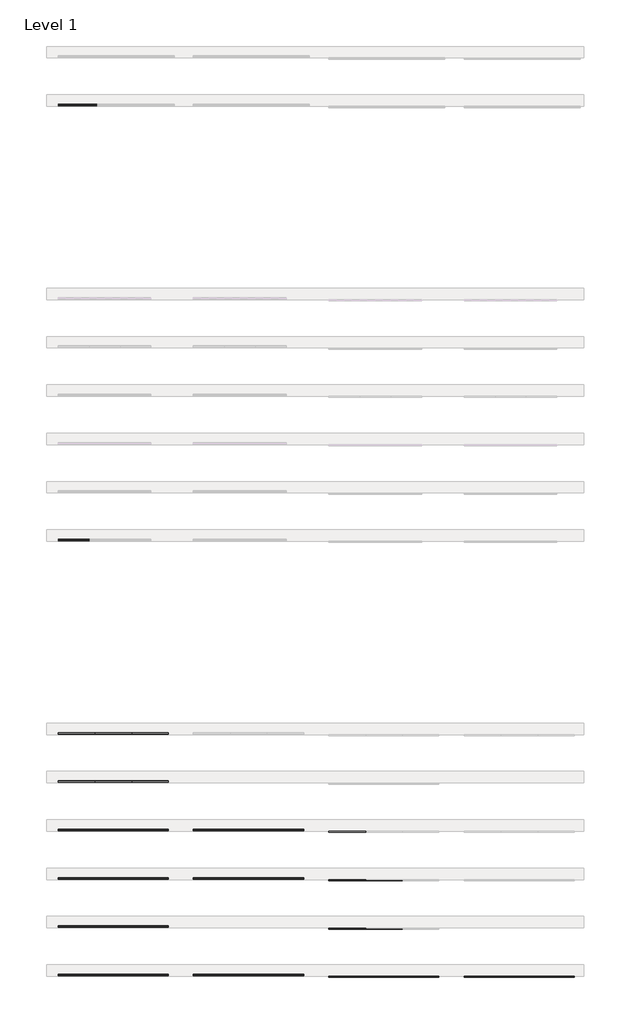
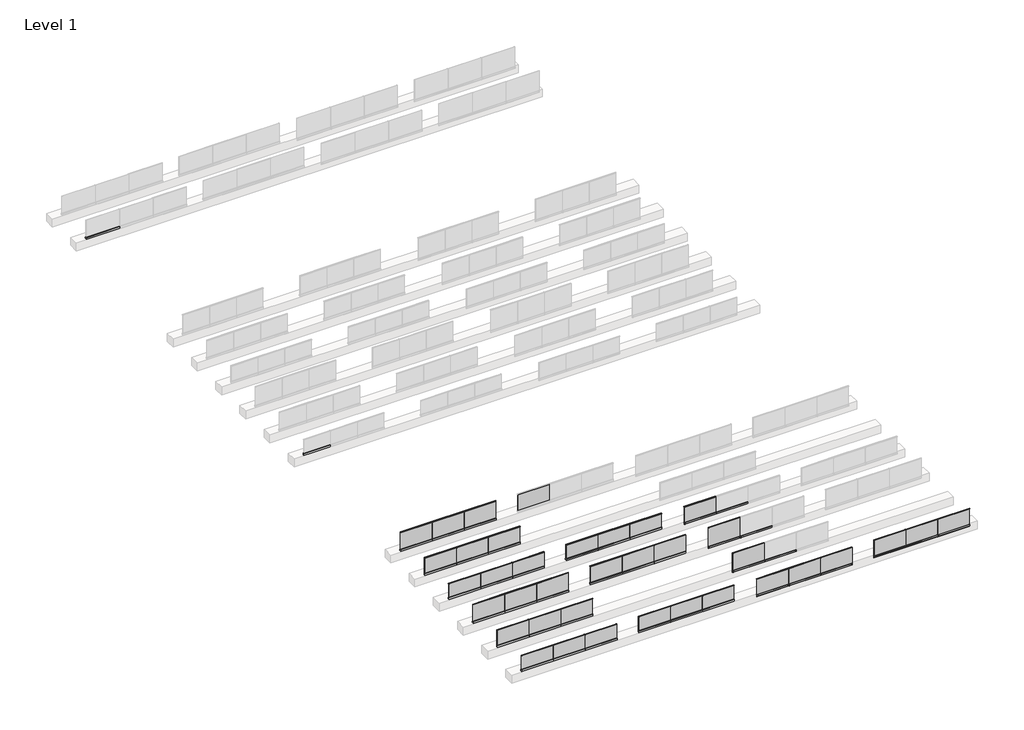
# One storey, part 1 of 5: 77 members, 37 plates.
"""IFC4 building model written with IfcOpenShell, lengths in millimetres."""

import ifcopenshell
import ifcopenshell.guid

model = None  # the IFC model being written
_history = None  # IfcOwnerHistory: only IFC2X3 demands one
_inside = {}  # id of a spatial element -> (the spatial element, [elements in it])
_under = {}  # id of a project, library or spatial element -> (it, [spatial elements below it])
_declared = {}  # id of a project -> (the project, [libraries it declares])
_typed = {}  # id of a type object -> (the type object, [elements of that type])
_made_of = {}  # id of a material, layer set ... -> (it, [elements and type objects made of it])


def new_model(schema):
    """Start an empty IFC model of exactly this schema.

    Asked for "IFC4X3", IfcOpenShell would pick the latest addendum, in which some entities
    have other attributes; the version numbers below select the first issue.
    IFC2X3 requires an IfcOwnerHistory on every rooted entity: one is made here for all.
    """
    global model, _history
    if schema == "IFC4X3":
        model = ifcopenshell.file(schema_version=(4, 3, 0, 0))
    else:
        model = ifcopenshell.file(schema=schema)
    _inside.clear()
    _under.clear()
    _declared.clear()
    _typed.clear()
    _made_of.clear()
    _history = None
    if model.schema == "IFC2X3":
        org = make("IfcOrganization", Name="unknown")
        user = make(
            "IfcPersonAndOrganization",
            ThePerson=make("IfcPerson", FamilyName="unknown"),
            TheOrganization=org,
        )
        app = make(
            "IfcApplication",
            ApplicationDeveloper=org,
            Version="unknown",
            ApplicationFullName="unknown",
            ApplicationIdentifier="unknown",
        )
        _history = make(
            "IfcOwnerHistory",
            OwningUser=user,
            OwningApplication=app,
            ChangeAction="ADDED",
            CreationDate=0,
        )
    return model


def make(cls, **values):
    """One entity of the class cls with the attributes given. An attribute that is None is left unset."""
    return model.create_entity(
        cls, **{name: value for name, value in values.items() if value is not None}
    )


def rooted(cls, **values):
    """An entity with a GlobalId (a new one), such as an element, a storey or a relation."""
    return make(cls, GlobalId=ifcopenshell.guid.new(), OwnerHistory=_history, **values)


def si_unit(unit_type, name, prefix=None):
    """IfcSIUnit, for example si_unit("LENGTHUNIT", "METRE", prefix="MILLI")."""
    return make("IfcSIUnit", UnitType=unit_type, Prefix=prefix, Name=name)


def assignment(units):
    """IfcUnitAssignment: the units of a project."""
    return None if units is None else make("IfcUnitAssignment", Units=units)


def point(xyz):
    """IfcCartesianPoint."""
    return None if xyz is None else make("IfcCartesianPoint", Coordinates=xyz)


def direction(xyz):
    """IfcDirection."""
    return None if xyz is None else make("IfcDirection", DirectionRatios=xyz)


def frame(location, z_axis=None, x_axis=None):
    """IfcAxis2Placement3D, a coordinate frame: its origin and axes. An axis left out is left unset."""
    return make(
        "IfcAxis2Placement3D",
        Location=point(location),
        Axis=direction(z_axis),
        RefDirection=direction(x_axis),
    )


def origin():
    """The frame at (0, 0, 0) with its axes left unset."""
    return frame((0.0, 0.0, 0.0))


def origin_with_axes():
    """The frame at (0, 0, 0) with the z axis (0, 0, 1) and the x axis (1, 0, 0) written out."""
    return frame((0.0, 0.0, 0.0), z_axis=(0.0, 0.0, 1.0), x_axis=(1.0, 0.0, 0.0))


def place(relative_to, where):
    """IfcLocalPlacement: puts the frame where relative to a parent placement (None: the world)."""
    return make(
        "IfcLocalPlacement", PlacementRelTo=relative_to, RelativePlacement=where
    )


def context(
    kind, dimensions, precision=None, world=None, true_north=None, identifier=None
):
    """IfcGeometricRepresentationContext, for example the 3D "Model" context."""
    return make(
        "IfcGeometricRepresentationContext",
        ContextIdentifier=identifier,
        ContextType=kind,
        CoordinateSpaceDimension=dimensions,
        Precision=precision,
        WorldCoordinateSystem=world,
        TrueNorth=true_north,
    )


def project(units=None, contexts=None):
    """IfcProject with its units and contexts."""
    return rooted(
        "IfcProject",
        Name="project",
        RepresentationContexts=contexts,
        UnitsInContext=assignment(units),
    )


def spatial(cls, under=None, at=None, **own):
    """A site, building, storey or space (cls), placed at a placement, below another one or the project."""
    s = rooted(cls, ObjectPlacement=at, **own)
    if under is not None:
        _under.setdefault(under.id(), (under, []))[1].append(s)
    return s


def polyline(points):
    """IfcPolyline through the points."""
    return make("IfcPolyline", Points=[point(p) for p in points])


def outline(outer, holes=None, kind="AREA"):
    """IfcArbitraryClosedProfileDef: a profile drawn as a closed curve; with holes, ...WithVoids."""
    if holes is None:
        return make("IfcArbitraryClosedProfileDef", ProfileType=kind, OuterCurve=outer)
    return make(
        "IfcArbitraryProfileDefWithVoids",
        ProfileType=kind,
        OuterCurve=outer,
        InnerCurves=holes,
    )


def extrude(swept, where, along, depth):
    """IfcExtrudedAreaSolid: the profile swept, set in the frame where, extruded along a direction by depth."""
    return make(
        "IfcExtrudedAreaSolid",
        SweptArea=swept,
        Position=where,
        ExtrudedDirection=direction(along),
        Depth=depth,
    )


def shape(context_of_items, identifier, shape_type, items):
    """IfcShapeRepresentation: the items that make up one representation, for example the "Body"."""
    return make(
        "IfcShapeRepresentation",
        ContextOfItems=context_of_items,
        RepresentationIdentifier=identifier,
        RepresentationType=shape_type,
        Items=items,
    )


def source(mapping_origin, context_of_items, identifier, shape_type, items):
    """IfcRepresentationMap: a shape defined once, which mapped items show again and again."""
    return make(
        "IfcRepresentationMap",
        MappingOrigin=mapping_origin,
        MappedRepresentation=shape(context_of_items, identifier, shape_type, items),
    )


def transform(
    local_origin,
    x_axis=None,
    y_axis=None,
    z_axis=None,
    scale=None,
    scale2=None,
    scale3=None,
    uniform=True,
):
    """IfcCartesianTransformationOperator3D, or its non-uniform kind. x_axis, y_axis, z_axis: its Axis1, 2, 3."""
    if uniform:
        return make(
            "IfcCartesianTransformationOperator3D",
            Axis1=direction(x_axis),
            Axis2=direction(y_axis),
            LocalOrigin=point(local_origin),
            Scale=scale,
            Axis3=direction(z_axis),
        )
    return make(
        "IfcCartesianTransformationOperator3DnonUniform",
        Axis1=direction(x_axis),
        Axis2=direction(y_axis),
        LocalOrigin=point(local_origin),
        Scale=scale,
        Axis3=direction(z_axis),
        Scale2=scale2,
        Scale3=scale3,
    )


def mapped(mapping_source, mapping_target):
    """IfcMappedItem: shows the shape of a source again, moved by a transform."""
    return make(
        "IfcMappedItem", MappingSource=mapping_source, MappingTarget=mapping_target
    )


def made_of(thing, what):
    """Note that an element or type object is made of a material, layer set ...; save() writes the relation."""
    if what is not None:
        _made_of.setdefault(what.id(), (what, []))[1].append(thing)
    return thing


def element(
    cls,
    number,
    at=None,
    inside=None,
    cuts=None,
    type_object=None,
    material=None,
    context=None,
    identifier="Body",
    shape_type=None,
    held_by="IfcProductDefinitionShape",
    body=None,
    shapes=None,
    **own,
):
    """One element of the class cls, such as IfcWall. Its Tag is "e" and its number.

    at: its placement. inside: the storey or other place that contains it. cuts: it is an
    opening in that element (IfcRelVoidsElement). A single representation is given by context,
    identifier, shape_type and body (its items); several are given by shapes. held_by: the class
    of the entity that holds the representations. save() writes the other relations.
    """
    e = rooted(cls, Tag="e%d" % number, ObjectPlacement=at, **own)
    if body is not None:
        shapes = [shape(context, identifier, shape_type, body)]
    if shapes is not None:
        e.Representation = make(held_by, Representations=shapes)
    if inside is not None:
        _inside.setdefault(inside.id(), (inside, []))[1].append(e)
    if cuts is not None:
        rooted(
            "IfcRelVoidsElement", RelatingBuildingElement=cuts, RelatedOpeningElement=e
        )
    if type_object is not None:
        _typed.setdefault(type_object.id(), (type_object, []))[1].append(e)
    return made_of(e, material)


def aggregate(whole, parts):
    """IfcRelAggregates: a whole, such as a stair, and the parts it consists of."""
    return rooted("IfcRelAggregates", RelatingObject=whole, RelatedObjects=parts)


def save(model, path):
    """Write the relations noted so far, then the file.

    IfcRelAggregates (storeys below a building ...), IfcRelContainedInSpatialStructure (elements
    in a storey), IfcRelDefinesByType, IfcRelAssociatesMaterial and IfcRelDeclares: one each for
    every whole, place, type object, material and project.
    """
    for whole, parts in _under.values():
        aggregate(whole, parts)
    for where, things in _inside.values():
        rooted(
            "IfcRelContainedInSpatialStructure",
            RelatedElements=things,
            RelatingStructure=where,
        )
    for kind, things in _typed.values():
        rooted("IfcRelDefinesByType", RelatedObjects=things, RelatingType=kind)
    for what, things in _made_of.values():
        rooted("IfcRelAssociatesMaterial", RelatedObjects=things, RelatingMaterial=what)
    for by, libraries in _declared.values():
        rooted("IfcRelDeclares", RelatingContext=by, RelatedDefinitions=libraries)
    model.write(path)


def rectangular_mullion_08bac69d(model_context):
    return source(origin(), model_context, "Body", "SweptSolid", [
        extrude(outline(polyline([(0.0, 44.5), (0.0, 19.5), (-21.0, 19.5), (-21.0, 44.5), (0.0, 44.5)])), frame((0.0, 0.0, -1900.0000001), z_axis=(0.0, 0.0, 1.0), x_axis=(1.0, 0.0, 0.0)), (0.0, 0.0, 1.0), 1900.0000001),
    ])


def rectangular_mullion_786617c2(model_context):
    return source(origin(), model_context, "Body", "SweptSolid", [
        extrude(outline(polyline([(0.0, 44.5), (0.0, 19.5), (-21.0, 19.5), (-21.0, 44.5), (0.0, 44.5)])), frame((0.0, 0.0, -1899.9999998), z_axis=(0.0, 0.0, 1.0), x_axis=(1.0, 0.0, 0.0)), (0.0, 0.0, 1.0), 1899.9999998),
    ])


def rectangular_mullion_206bddc2(model_context):
    return source(origin(), model_context, "Body", "SweptSolid", [
        extrude(outline(polyline([(-5.0, 20.0), (-5.0, 0.0), (-117.5, 0.0), (-124.0, 6.5), (-124.0, 57.5), (-117.5, 64.0), (-26.6547004, 64.0), (0.0, 40.0), (0.0, 20.0), (-5.0, 20.0)])), frame((0.0, 0.0, -1900.0000001), z_axis=(0.0, 0.0, 1.0), x_axis=(1.0, 0.0, 0.0)), (0.0, 0.0, 1.0), 1900.0000001),
    ])


def rectangular_mullion_d76e895c(model_context):
    return source(origin(), model_context, "Body", "SweptSolid", [
        extrude(outline(polyline([(-5.0, 20.0), (-5.0, 0.0), (-117.5, 0.0), (-124.0, 6.5), (-124.0, 57.5), (-117.5, 64.0), (-26.6547004, 64.0), (0.0, 40.0), (0.0, 20.0), (-5.0, 20.0)])), frame((0.0, 0.0, -1899.9999998), z_axis=(0.0, 0.0, 1.0), x_axis=(1.0, 0.0, 0.0)), (0.0, 0.0, 1.0), 1899.9999998),
    ])


def rectangular_mullion_b1799dcc(model_context):
    return source(origin(), model_context, "Body", "SweptSolid", [
        extrude(outline(polyline([(0.0, 12.5), (0.0, -12.5), (-21.0, -12.5), (-21.0, 12.5), (0.0, 12.5)])), frame((0.0, 0.0, -1900.0000001), z_axis=(0.0, 0.0, 1.0), x_axis=(1.0, 0.0, 0.0)), (0.0, 0.0, 1.0), 1900.0000001),
    ])


def rectangular_mullion_09487b38(model_context):
    return source(origin(), model_context, "Body", "SweptSolid", [
        extrude(outline(polyline([(0.0, 12.5), (0.0, -12.5), (-21.0, -12.5), (-21.0, 12.5), (0.0, 12.5)])), frame((0.0, 0.0, -1899.9999998), z_axis=(0.0, 0.0, 1.0), x_axis=(1.0, 0.0, 0.0)), (0.0, 0.0, 1.0), 1899.9999998),
    ])


def rectangular_mullion_55644539(model_context):
    return source(origin(), model_context, "Body", "SweptSolid", [
        extrude(outline(polyline([(0.0, 20.0), (0.0, -20.0), (-30.0, -20.0), (-30.0, 20.0), (0.0, 20.0)])), frame((0.0, 0.0, -1900.0000001), z_axis=(0.0, 0.0, 1.0), x_axis=(1.0, 0.0, 0.0)), (0.0, 0.0, 1.0), 1900.0000001),
    ])


def rectangular_mullion_3286032e(model_context):
    return source(origin(), model_context, "Body", "SweptSolid", [
        extrude(outline(polyline([(0.0, 20.0), (0.0, -20.0), (-30.0, -20.0), (-30.0, 20.0), (0.0, 20.0)])), frame((0.0, 0.0, -1899.9999998), z_axis=(0.0, 0.0, 1.0), x_axis=(1.0, 0.0, 0.0)), (0.0, 0.0, 1.0), 1899.9999998),
    ])


def rectangular_mullion_a4c7e66a(model_context):
    return source(origin(), model_context, "Body", "SweptSolid", [
        extrude(outline(polyline([(-121.0, 22.5), (-103.597438, 39.902562), (0.0, 39.902562), (0.0, -39.902562), (-103.597438, -39.902562), (-121.0, -22.5), (-121.0, 0.0), (-121.0, 22.5)])), frame((0.0, 0.0, -1900.0000001), z_axis=(0.0, 0.0, 1.0), x_axis=(1.0, 0.0, 0.0)), (0.0, 0.0, 1.0), 1900.0000001),
    ])


def rectangular_mullion_7132c3a2(model_context):
    return source(origin(), model_context, "Body", "SweptSolid", [
        extrude(outline(polyline([(-121.0, 22.5), (-103.597438, 39.902562), (0.0, 39.902562), (0.0, -39.902562), (-103.597438, -39.902562), (-121.0, -22.5), (-121.0, 0.0), (-121.0, 22.5)])), frame((0.0, 0.0, -1899.9999998), z_axis=(0.0, 0.0, 1.0), x_axis=(1.0, 0.0, 0.0)), (0.0, 0.0, 1.0), 1899.9999998),
    ])


def rectangular_mullion_a8747605(model_context):
    return source(origin(), model_context, "Body", "SweptSolid", [
        extrude(outline(polyline([(0.0, 52.0), (0.0, 12.0), (-30.0, 12.0), (-30.0, 52.0), (0.0, 52.0)])), frame((0.0, 0.0, -1900.0000001), z_axis=(0.0, 0.0, 1.0), x_axis=(1.0, 0.0, 0.0)), (0.0, 0.0, 1.0), 1900.0000001),
    ])


def rectangular_mullion_a22a6795(model_context):
    return source(origin(), model_context, "Body", "SweptSolid", [
        extrude(outline(polyline([(-121.0, 22.5), (-103.597438, 39.902562), (0.0, 39.902562), (0.0, -39.902562), (-103.597438, -39.902562), (-121.0, -22.5), (-121.0, 0.0), (-121.0, 22.5)])), frame((0.0, 0.0, -1600.0000001), z_axis=(0.0, 0.0, 1.0), x_axis=(1.0, 0.0, 0.0)), (0.0, 0.0, 1.0), 1600.0000001),
    ])


def rectangular_mullion_30d14a96(model_context):
    return source(origin(), model_context, "Body", "SweptSolid", [
        extrude(outline(polyline([(-121.0, 22.5), (-103.597438, 39.902562), (0.0, 39.902562), (0.0, -39.902562), (-103.597438, -39.902562), (-121.0, -22.5), (-121.0, 0.0), (-121.0, 22.5)])), frame((0.0, 0.0, -2000.0000001), z_axis=(0.0, 0.0, 1.0), x_axis=(1.0, 0.0, 0.0)), (0.0, 0.0, 1.0), 2000.0000001),
    ])


def plate_12mm_toughened_glass_facefix_95b4658a(model_context):
    return source(origin(), model_context, "Body", "SweptSolid", [
        extrude(outline(polyline([(945.0000001, -26.0), (945.0000001, -38.0), (-945.0000001, -38.0), (-945.0000001, -26.0), (945.0000001, -26.0)])), origin_with_axes(), (0.0, 0.0, 1.0), 979.0),
    ])


def plate_12mm_toughened_glass_facefix_7f77cc80(model_context):
    return source(origin(), model_context, "Body", "SweptSolid", [
        extrude(outline(polyline([(945.0000001, -26.0), (945.0000001, -38.0), (-945.0000001, -38.0), (-945.0000001, -26.0), (945.0000001, -26.0)])), origin_with_axes(), (0.0, 0.0, 1.0), 970.0),
    ])


def plate_12mm_toughened_glass_facefix_448b4f93(model_context):
    return source(origin(), model_context, "Body", "SweptSolid", [
        extrude(outline(polyline([(945.0000001, -26.0), (945.0000001, -38.0), (-945.0000001, -38.0), (-945.0000001, -26.0), (945.0000001, -26.0)])), origin_with_axes(), (0.0, 0.0, 1.0), 1079.0),
    ])


def plate_12mm_toughened_glass_facefix_d787389d(model_context):
    return source(origin(), model_context, "Body", "SweptSolid", [
        extrude(outline(polyline([(945.0000001, -26.0), (945.0000001, -38.0), (-945.0000001, -38.0), (-945.0000001, -26.0), (945.0000001, -26.0)])), origin_with_axes(), (0.0, 0.0, 1.0), 1179.0),
    ])


def plate_12mm_toughened_glass_topfix_6a26f1d6(model_context):
    return source(origin(), model_context, "Body", "SweptSolid", [
        extrude(outline(polyline([(945.0000001, 6.0), (945.0000001, -6.0), (-945.0000001, -6.0), (-945.0000001, 6.0), (945.0000001, 6.0)])), origin_with_axes(), (0.0, 0.0, 1.0), 849.0),
    ])


def plate_12mm_toughened_glass_topfix_1a942f3f(model_context):
    return source(origin(), model_context, "Body", "SweptSolid", [
        extrude(outline(polyline([(945.0000001, 6.0), (945.0000001, -6.0), (-945.0000001, -6.0), (-945.0000001, 6.0), (945.0000001, 6.0)])), origin_with_axes(), (0.0, 0.0, 1.0), 949.0),
    ])


def plate_12mm_toughened_glass_topfix_58d07ea3(model_context):
    return source(origin(), model_context, "Body", "SweptSolid", [
        extrude(outline(polyline([(945.0000001, 6.0), (945.0000001, -6.0), (-945.0000001, -6.0), (-945.0000001, 6.0), (945.0000001, 6.0)])), origin_with_axes(), (0.0, 0.0, 1.0), 1049.0),
    ])


def plate_12mm_toughened_glass_topfix_f69c67ff(model_context):
    return source(origin(), model_context, "Body", "SweptSolid", [
        extrude(outline(polyline([(945.0000001, 6.0), (945.0000001, -6.0), (-945.0000001, -6.0), (-945.0000001, 6.0), (945.0000001, 6.0)])), origin_with_axes(), (0.0, 0.0, 1.0), 858.0),
    ])


def plate_12mm_toughened_glass_topfix_5d722a47(model_context):
    return source(origin(), model_context, "Body", "SweptSolid", [
        extrude(outline(polyline([(945.0000001, 6.0), (945.0000001, -6.0), (-945.0000001, -6.0), (-945.0000001, 6.0), (945.0000001, 6.0)])), origin_with_axes(), (0.0, 0.0, 1.0), 958.0),
    ])


def plate_12mm_toughened_glass_topfix_4be74c9b(model_context):
    return source(origin(), model_context, "Body", "SweptSolid", [
        extrude(outline(polyline([(945.0000001, 6.0), (945.0000001, -6.0), (-945.0000001, -6.0), (-945.0000001, 6.0), (945.0000001, 6.0)])), origin_with_axes(), (0.0, 0.0, 1.0), 1058.0),
    ])


def plate_15_2mm_toughened_laminated_glass_facefix_f5e7c9a7(model_context):
    return source(origin(), model_context, "Body", "SweptSolid", [
        extrude(outline(polyline([(945.0000001, -24.4), (945.0000001, -39.6), (-945.0000001, -39.6), (-945.0000001, -24.4), (945.0000001, -24.4)])), origin_with_axes(), (0.0, 0.0, 1.0), 979.0),
    ])


def plate_15_2mm_toughened_laminated_glass_topfix_e69a129b(model_context):
    return source(origin(), model_context, "Body", "SweptSolid", [
        extrude(outline(polyline([(945.0000001, 7.6), (945.0000001, -7.6), (-945.0000001, -7.6), (-945.0000001, 7.6), (945.0000001, 7.6)])), origin_with_axes(), (0.0, 0.0, 1.0), 849.0),
    ])


def plate_15_2mm_toughened_laminated_glass_topfix_2d2e47a1(model_context):
    return source(origin(), model_context, "Body", "SweptSolid", [
        extrude(outline(polyline([(945.0000001, 7.6), (945.0000001, -7.6), (-945.0000001, -7.6), (-945.0000001, 7.6), (945.0000001, 7.6)])), origin_with_axes(), (0.0, 0.0, 1.0), 999.0),
    ])


def plate_15_2mm_toughened_laminated_glass_topfix_e9e1a426(model_context):
    return source(origin(), model_context, "Body", "SweptSolid", [
        extrude(outline(polyline([(945.0000001, 7.6), (945.0000001, -7.6), (-945.0000001, -7.6), (-945.0000001, 7.6), (945.0000001, 7.6)])), origin_with_axes(), (0.0, 0.0, 1.0), 858.0),
    ])


def plate_15_2mm_toughened_laminated_glass_topfix_6aa3405a(model_context):
    return source(origin(), model_context, "Body", "SweptSolid", [
        extrude(outline(polyline([(945.0000001, 7.6), (945.0000001, -7.6), (-945.0000001, -7.6), (-945.0000001, 7.6), (945.0000001, 7.6)])), origin_with_axes(), (0.0, 0.0, 1.0), 1008.0),
    ])


model = new_model("IFC4")

# Units and contexts
model_context = context("Model", 3, world=origin())
ifc_project = project(units=[si_unit("LENGTHUNIT", "METRE", prefix="MILLI")], contexts=[model_context])

# Site, building, storey
site = spatial("IfcSite", under=ifc_project)
building = spatial("IfcBuilding", under=site)
storey = spatial("IfcBuildingStorey", under=building, Name="Level 1", Elevation=0.0)

# Members
placement = place(None, origin())
rectangular_mullion_shape = rectangular_mullion_08bac69d(model_context)
element("IfcMember", 1, ObjectType="Rectangular Mullion", at=placement, inside=storey, context=model_context, shape_type="MappedRepresentation", body=[
    mapped(rectangular_mullion_shape, transform((19700.0, -64.9153172, 1000.0), x_axis=(0.0, 0.0, 1.0), y_axis=(0.0, -1.0, 0.0), z_axis=(1.0, 0.0, 0.0))),
])
element("IfcMember", 2, ObjectType="Rectangular Mullion", at=placement, inside=storey, context=model_context, shape_type="MappedRepresentation", body=[
    mapped(rectangular_mullion_shape, transform((26700.0, -64.9153172, 1000.0), x_axis=(0.0, 0.0, 1.0), y_axis=(0.0, -1.0, 0.0), z_axis=(1.0, 0.0, 0.0))),
])
element("IfcMember", 3, ObjectType="Rectangular Mullion", at=placement, inside=storey, context=model_context, shape_type="MappedRepresentation", body=[
    mapped(rectangular_mullion_shape, transform((15900.0000001, -64.9153172, 1000.0), x_axis=(0.0, 0.0, 1.0), y_axis=(0.0, -1.0, 0.0), z_axis=(1.0, 0.0, 0.0))),
])
element("IfcMember", 4, ObjectType="Rectangular Mullion", at=placement, inside=storey, context=model_context, shape_type="MappedRepresentation", body=[
    mapped(rectangular_mullion_shape, transform((15900.0000001, 2435.0846828, 1100.0), x_axis=(0.0, 0.0, 1.0), y_axis=(0.0, -1.0, 0.0), z_axis=(1.0, 0.0, 0.0))),
])
element("IfcMember", 5, ObjectType="Rectangular Mullion", at=placement, inside=storey, context=model_context, shape_type="MappedRepresentation", body=[
    mapped(rectangular_mullion_shape, transform((15900.0000001, 4935.0846828, 1200.0), x_axis=(0.0, 0.0, 1.0), y_axis=(0.0, -1.0, 0.0), z_axis=(1.0, 0.0, 0.0))),
])
element("IfcMember", 6, ObjectType="Rectangular Mullion", at=placement, inside=storey, context=model_context, shape_type="MappedRepresentation", body=[
    mapped(rectangular_mullion_shape, transform((22900.0000001, -64.9153172, 1000.0), x_axis=(0.0, 0.0, 1.0), y_axis=(0.0, -1.0, 0.0), z_axis=(1.0, 0.0, 0.0))),
])
rectangular_mullion_2_shape = rectangular_mullion_786617c2(model_context)
element("IfcMember", 7, ObjectType="Rectangular Mullion", at=placement, inside=storey, context=model_context, shape_type="MappedRepresentation", body=[
    mapped(rectangular_mullion_2_shape, transform((17799.9999999, -64.9153172, 1000.0), x_axis=(0.0, 0.0, 1.0), y_axis=(0.0, -1.0, 0.0), z_axis=(1.0, 0.0, 0.0))),
])
element("IfcMember", 8, ObjectType="Rectangular Mullion", at=placement, inside=storey, context=model_context, shape_type="MappedRepresentation", body=[
    mapped(rectangular_mullion_2_shape, transform((24799.9999999, -64.9153172, 1000.0), x_axis=(0.0, 0.0, 1.0), y_axis=(0.0, -1.0, 0.0), z_axis=(1.0, 0.0, 0.0))),
])
rectangular_mullion_3_shape = rectangular_mullion_206bddc2(model_context)
element("IfcMember", 9, ObjectType="Rectangular Mullion", at=placement, inside=storey, context=model_context, shape_type="MappedRepresentation", body=[
    mapped(rectangular_mullion_3_shape, transform((14000.0, -64.9153172, -124.0), x_axis=(0.0, 0.0, -1.0), y_axis=(0.0, -1.0, 0.0), z_axis=(-1.0, 0.0, 0.0))),
])
element("IfcMember", 10, ObjectType="Rectangular Mullion", at=placement, inside=storey, context=model_context, shape_type="MappedRepresentation", body=[
    mapped(rectangular_mullion_3_shape, transform((14000.0, 7435.0846828, -124.0), x_axis=(0.0, 0.0, -1.0), y_axis=(0.0, -1.0, 0.0), z_axis=(-1.0, 0.0, 0.0))),
])
element("IfcMember", 11, ObjectType="Rectangular Mullion", at=placement, inside=storey, context=model_context, shape_type="MappedRepresentation", body=[
    mapped(rectangular_mullion_3_shape, transform((14000.0, 2435.0846828, -124.0), x_axis=(0.0, 0.0, -1.0), y_axis=(0.0, -1.0, 0.0), z_axis=(-1.0, 0.0, 0.0))),
])
element("IfcMember", 12, ObjectType="Rectangular Mullion", at=placement, inside=storey, context=model_context, shape_type="MappedRepresentation", body=[
    mapped(rectangular_mullion_3_shape, transform((14000.0, 4935.0846828, -124.0), x_axis=(0.0, 0.0, -1.0), y_axis=(0.0, -1.0, 0.0), z_axis=(-1.0, 0.0, 0.0))),
])
element("IfcMember", 13, ObjectType="Rectangular Mullion", at=placement, inside=storey, context=model_context, shape_type="MappedRepresentation", body=[
    mapped(rectangular_mullion_3_shape, transform((21000.0, -64.9153172, -124.0), x_axis=(0.0, 0.0, -1.0), y_axis=(0.0, -1.0, 0.0), z_axis=(-1.0, 0.0, 0.0))),
])
rectangular_mullion_4_shape = rectangular_mullion_d76e895c(model_context)
element("IfcMember", 14, ObjectType="Rectangular Mullion", at=placement, inside=storey, context=model_context, shape_type="MappedRepresentation", body=[
    mapped(rectangular_mullion_4_shape, transform((15900.0000001, -64.9153172, -124.0), x_axis=(0.0, 0.0, -1.0), y_axis=(0.0, -1.0, 0.0), z_axis=(-1.0, 0.0, 0.0))),
])
element("IfcMember", 15, ObjectType="Rectangular Mullion", at=placement, inside=storey, context=model_context, shape_type="MappedRepresentation", body=[
    mapped(rectangular_mullion_4_shape, transform((15900.0000001, 7435.0846828, -124.0), x_axis=(0.0, 0.0, -1.0), y_axis=(0.0, -1.0, 0.0), z_axis=(-1.0, 0.0, 0.0))),
])
element("IfcMember", 16, ObjectType="Rectangular Mullion", at=placement, inside=storey, context=model_context, shape_type="MappedRepresentation", body=[
    mapped(rectangular_mullion_4_shape, transform((15900.0000001, 2435.0846828, -124.0), x_axis=(0.0, 0.0, -1.0), y_axis=(0.0, -1.0, 0.0), z_axis=(-1.0, 0.0, 0.0))),
])
element("IfcMember", 17, ObjectType="Rectangular Mullion", at=placement, inside=storey, context=model_context, shape_type="MappedRepresentation", body=[
    mapped(rectangular_mullion_4_shape, transform((15900.0000001, 4935.0846828, -124.0), x_axis=(0.0, 0.0, -1.0), y_axis=(0.0, -1.0, 0.0), z_axis=(-1.0, 0.0, 0.0))),
])
element("IfcMember", 18, ObjectType="Rectangular Mullion", at=placement, inside=storey, context=model_context, shape_type="MappedRepresentation", body=[
    mapped(rectangular_mullion_4_shape, transform((22900.0000001, -64.9153172, -124.0), x_axis=(0.0, 0.0, -1.0), y_axis=(0.0, -1.0, 0.0), z_axis=(-1.0, 0.0, 0.0))),
])
element("IfcMember", 19, ObjectType="Rectangular Mullion", at=placement, inside=storey, context=model_context, shape_type="MappedRepresentation", body=[
    mapped(rectangular_mullion_3_shape, transform((17799.9999999, -64.9153172, -124.0), x_axis=(0.0, 0.0, -1.0), y_axis=(0.0, -1.0, 0.0), z_axis=(-1.0, 0.0, 0.0))),
])
element("IfcMember", 20, ObjectType="Rectangular Mullion", at=placement, inside=storey, context=model_context, shape_type="MappedRepresentation", body=[
    mapped(rectangular_mullion_3_shape, transform((24799.9999999, -64.9153172, -124.0), x_axis=(0.0, 0.0, -1.0), y_axis=(0.0, -1.0, 0.0), z_axis=(-1.0, 0.0, 0.0))),
])
rectangular_mullion_5_shape = rectangular_mullion_b1799dcc(model_context)
element("IfcMember", 21, ObjectType="Rectangular Mullion", at=placement, inside=storey, context=model_context, shape_type="MappedRepresentation", body=[
    mapped(rectangular_mullion_5_shape, transform((5700.0, 0.0, 1000.0), x_axis=(0.0, 0.0, 1.0), y_axis=(0.0, -1.0, 0.0), z_axis=(1.0, 0.0, 0.0))),
])
element("IfcMember", 22, ObjectType="Rectangular Mullion", at=placement, inside=storey, context=model_context, shape_type="MappedRepresentation", body=[
    mapped(rectangular_mullion_5_shape, transform((5700.0, 2500.0, 1100.0), x_axis=(0.0, 0.0, 1.0), y_axis=(0.0, -1.0, 0.0), z_axis=(1.0, 0.0, 0.0))),
])
element("IfcMember", 23, ObjectType="Rectangular Mullion", at=placement, inside=storey, context=model_context, shape_type="MappedRepresentation", body=[
    mapped(rectangular_mullion_5_shape, transform((5700.0, 5000.0, 1200.0), x_axis=(0.0, 0.0, 1.0), y_axis=(0.0, -1.0, 0.0), z_axis=(1.0, 0.0, 0.0))),
])
element("IfcMember", 24, ObjectType="Rectangular Mullion", at=placement, inside=storey, context=model_context, shape_type="MappedRepresentation", body=[
    mapped(rectangular_mullion_5_shape, transform((12700.0, 0.0, 1000.0), x_axis=(0.0, 0.0, 1.0), y_axis=(0.0, -1.0, 0.0), z_axis=(1.0, 0.0, 0.0))),
])
element("IfcMember", 25, ObjectType="Rectangular Mullion", at=placement, inside=storey, context=model_context, shape_type="MappedRepresentation", body=[
    mapped(rectangular_mullion_5_shape, transform((12700.0, 5000.0, 1150.0), x_axis=(0.0, 0.0, 1.0), y_axis=(0.0, -1.0, 0.0), z_axis=(1.0, 0.0, 0.0))),
])
element("IfcMember", 26, ObjectType="Rectangular Mullion", at=placement, inside=storey, context=model_context, shape_type="MappedRepresentation", body=[
    mapped(rectangular_mullion_5_shape, transform((1900.0000001, 0.0, 1000.0), x_axis=(0.0, 0.0, 1.0), y_axis=(0.0, -1.0, 0.0), z_axis=(1.0, 0.0, 0.0))),
])
element("IfcMember", 27, ObjectType="Rectangular Mullion", at=placement, inside=storey, context=model_context, shape_type="MappedRepresentation", body=[
    mapped(rectangular_mullion_5_shape, transform((1900.0000001, 2500.0, 1100.0), x_axis=(0.0, 0.0, 1.0), y_axis=(0.0, -1.0, 0.0), z_axis=(1.0, 0.0, 0.0))),
])
element("IfcMember", 28, ObjectType="Rectangular Mullion", at=placement, inside=storey, context=model_context, shape_type="MappedRepresentation", body=[
    mapped(rectangular_mullion_5_shape, transform((1900.0000001, 5000.0, 1200.0), x_axis=(0.0, 0.0, 1.0), y_axis=(0.0, -1.0, 0.0), z_axis=(1.0, 0.0, 0.0))),
])
element("IfcMember", 29, ObjectType="Rectangular Mullion", at=placement, inside=storey, context=model_context, shape_type="MappedRepresentation", body=[
    mapped(rectangular_mullion_5_shape, transform((8900.0000001, 0.0, 1000.0), x_axis=(0.0, 0.0, 1.0), y_axis=(0.0, -1.0, 0.0), z_axis=(1.0, 0.0, 0.0))),
])
element("IfcMember", 30, ObjectType="Rectangular Mullion", at=placement, inside=storey, context=model_context, shape_type="MappedRepresentation", body=[
    mapped(rectangular_mullion_5_shape, transform((8900.0000001, 5000.0, 1150.0), x_axis=(0.0, 0.0, 1.0), y_axis=(0.0, -1.0, 0.0), z_axis=(1.0, 0.0, 0.0))),
])
rectangular_mullion_6_shape = rectangular_mullion_09487b38(model_context)
element("IfcMember", 31, ObjectType="Rectangular Mullion", at=placement, inside=storey, context=model_context, shape_type="MappedRepresentation", body=[
    mapped(rectangular_mullion_6_shape, transform((3799.9999999, 0.0, 1000.0), x_axis=(0.0, 0.0, 1.0), y_axis=(0.0, -1.0, 0.0), z_axis=(1.0, 0.0, 0.0))),
])
element("IfcMember", 32, ObjectType="Rectangular Mullion", at=placement, inside=storey, context=model_context, shape_type="MappedRepresentation", body=[
    mapped(rectangular_mullion_6_shape, transform((3799.9999999, 2500.0, 1100.0), x_axis=(0.0, 0.0, 1.0), y_axis=(0.0, -1.0, 0.0), z_axis=(1.0, 0.0, 0.0))),
])
element("IfcMember", 33, ObjectType="Rectangular Mullion", at=placement, inside=storey, context=model_context, shape_type="MappedRepresentation", body=[
    mapped(rectangular_mullion_6_shape, transform((3799.9999999, 5000.0, 1200.0), x_axis=(0.0, 0.0, 1.0), y_axis=(0.0, -1.0, 0.0), z_axis=(1.0, 0.0, 0.0))),
])
element("IfcMember", 34, ObjectType="Rectangular Mullion", at=placement, inside=storey, context=model_context, shape_type="MappedRepresentation", body=[
    mapped(rectangular_mullion_6_shape, transform((10799.9999999, 0.0, 1000.0), x_axis=(0.0, 0.0, 1.0), y_axis=(0.0, -1.0, 0.0), z_axis=(1.0, 0.0, 0.0))),
])
element("IfcMember", 35, ObjectType="Rectangular Mullion", at=placement, inside=storey, context=model_context, shape_type="MappedRepresentation", body=[
    mapped(rectangular_mullion_6_shape, transform((10799.9999999, 5000.0, 1150.0), x_axis=(0.0, 0.0, 1.0), y_axis=(0.0, -1.0, 0.0), z_axis=(1.0, 0.0, 0.0))),
])
rectangular_mullion_7_shape = rectangular_mullion_55644539(model_context)
element("IfcMember", 36, ObjectType="Rectangular Mullion", at=placement, inside=storey, context=model_context, shape_type="MappedRepresentation", body=[
    mapped(rectangular_mullion_7_shape, transform((5700.0, 7500.0, 1000.0), x_axis=(0.0, 0.0, 1.0), y_axis=(0.0, -1.0, 0.0), z_axis=(1.0, 0.0, 0.0))),
])
element("IfcMember", 37, ObjectType="Rectangular Mullion", at=placement, inside=storey, context=model_context, shape_type="MappedRepresentation", body=[
    mapped(rectangular_mullion_7_shape, transform((12700.0, 7500.0, 1000.0), x_axis=(0.0, 0.0, 1.0), y_axis=(0.0, -1.0, 0.0), z_axis=(1.0, 0.0, 0.0))),
])
element("IfcMember", 38, ObjectType="Rectangular Mullion", at=placement, inside=storey, context=model_context, shape_type="MappedRepresentation", body=[
    mapped(rectangular_mullion_7_shape, transform((5700.0, 10000.0, 1100.0), x_axis=(0.0, 0.0, 1.0), y_axis=(0.0, -1.0, 0.0), z_axis=(1.0, 0.0, 0.0))),
])
element("IfcMember", 39, ObjectType="Rectangular Mullion", at=placement, inside=storey, context=model_context, shape_type="MappedRepresentation", body=[
    mapped(rectangular_mullion_7_shape, transform((5700.0, 12500.0, 1200.0), x_axis=(0.0, 0.0, 1.0), y_axis=(0.0, -1.0, 0.0), z_axis=(1.0, 0.0, 0.0))),
])
element("IfcMember", 40, ObjectType="Rectangular Mullion", at=placement, inside=storey, context=model_context, shape_type="MappedRepresentation", body=[
    mapped(rectangular_mullion_7_shape, transform((1900.0000001, 7500.0, 1000.0), x_axis=(0.0, 0.0, 1.0), y_axis=(0.0, -1.0, 0.0), z_axis=(1.0, 0.0, 0.0))),
])
element("IfcMember", 41, ObjectType="Rectangular Mullion", at=placement, inside=storey, context=model_context, shape_type="MappedRepresentation", body=[
    mapped(rectangular_mullion_7_shape, transform((8900.0000001, 7500.0, 1000.0), x_axis=(0.0, 0.0, 1.0), y_axis=(0.0, -1.0, 0.0), z_axis=(1.0, 0.0, 0.0))),
])
element("IfcMember", 42, ObjectType="Rectangular Mullion", at=placement, inside=storey, context=model_context, shape_type="MappedRepresentation", body=[
    mapped(rectangular_mullion_7_shape, transform((1900.0000001, 10000.0, 1100.0), x_axis=(0.0, 0.0, 1.0), y_axis=(0.0, -1.0, 0.0), z_axis=(1.0, 0.0, 0.0))),
])
element("IfcMember", 43, ObjectType="Rectangular Mullion", at=placement, inside=storey, context=model_context, shape_type="MappedRepresentation", body=[
    mapped(rectangular_mullion_7_shape, transform((1900.0000001, 12500.0, 1200.0), x_axis=(0.0, 0.0, 1.0), y_axis=(0.0, -1.0, 0.0), z_axis=(1.0, 0.0, 0.0))),
])
rectangular_mullion_8_shape = rectangular_mullion_3286032e(model_context)
element("IfcMember", 44, ObjectType="Rectangular Mullion", at=placement, inside=storey, context=model_context, shape_type="MappedRepresentation", body=[
    mapped(rectangular_mullion_8_shape, transform((3799.9999999, 7500.0, 1000.0), x_axis=(0.0, 0.0, 1.0), y_axis=(0.0, -1.0, 0.0), z_axis=(1.0, 0.0, 0.0))),
])
element("IfcMember", 45, ObjectType="Rectangular Mullion", at=placement, inside=storey, context=model_context, shape_type="MappedRepresentation", body=[
    mapped(rectangular_mullion_8_shape, transform((10799.9999999, 7500.0, 1000.0), x_axis=(0.0, 0.0, 1.0), y_axis=(0.0, -1.0, 0.0), z_axis=(1.0, 0.0, 0.0))),
])
element("IfcMember", 46, ObjectType="Rectangular Mullion", at=placement, inside=storey, context=model_context, shape_type="MappedRepresentation", body=[
    mapped(rectangular_mullion_8_shape, transform((3799.9999999, 10000.0, 1100.0), x_axis=(0.0, 0.0, 1.0), y_axis=(0.0, -1.0, 0.0), z_axis=(1.0, 0.0, 0.0))),
])
element("IfcMember", 47, ObjectType="Rectangular Mullion", at=placement, inside=storey, context=model_context, shape_type="MappedRepresentation", body=[
    mapped(rectangular_mullion_8_shape, transform((3799.9999999, 12500.0, 1200.0), x_axis=(0.0, 0.0, 1.0), y_axis=(0.0, -1.0, 0.0), z_axis=(1.0, 0.0, 0.0))),
])
rectangular_mullion_9_shape = rectangular_mullion_a4c7e66a(model_context)
element("IfcMember", 48, ObjectType="Rectangular Mullion", at=placement, inside=storey, context=model_context, shape_type="MappedRepresentation", body=[
    mapped(rectangular_mullion_9_shape, transform((0.0, 7500.0, 0.0), x_axis=(0.0, 0.0, -1.0), y_axis=(0.0, -1.0, 0.0), z_axis=(-1.0, 0.0, 0.0))),
])
element("IfcMember", 49, ObjectType="Rectangular Mullion", at=placement, inside=storey, context=model_context, shape_type="MappedRepresentation", body=[
    mapped(rectangular_mullion_9_shape, transform((7000.0, 7500.0, 0.0), x_axis=(0.0, 0.0, -1.0), y_axis=(0.0, -1.0, 0.0), z_axis=(-1.0, 0.0, 0.0))),
])
element("IfcMember", 50, ObjectType="Rectangular Mullion", at=placement, inside=storey, context=model_context, shape_type="MappedRepresentation", body=[
    mapped(rectangular_mullion_9_shape, transform((0.0, 10000.0, 0.0), x_axis=(0.0, 0.0, -1.0), y_axis=(0.0, -1.0, 0.0), z_axis=(-1.0, 0.0, 0.0))),
])
element("IfcMember", 51, ObjectType="Rectangular Mullion", at=placement, inside=storey, context=model_context, shape_type="MappedRepresentation", body=[
    mapped(rectangular_mullion_9_shape, transform((0.0, 12500.0, 0.0), x_axis=(0.0, 0.0, -1.0), y_axis=(0.0, -1.0, 0.0), z_axis=(-1.0, 0.0, 0.0))),
])
element("IfcMember", 52, ObjectType="Rectangular Mullion", at=placement, inside=storey, context=model_context, shape_type="MappedRepresentation", body=[
    mapped(rectangular_mullion_9_shape, transform((0.0, 0.0, 0.0), x_axis=(0.0, 0.0, -1.0), y_axis=(0.0, -1.0, 0.0), z_axis=(-1.0, 0.0, 0.0))),
])
element("IfcMember", 53, ObjectType="Rectangular Mullion", at=placement, inside=storey, context=model_context, shape_type="MappedRepresentation", body=[
    mapped(rectangular_mullion_9_shape, transform((0.0, 2500.0, 0.0), x_axis=(0.0, 0.0, -1.0), y_axis=(0.0, -1.0, 0.0), z_axis=(-1.0, 0.0, 0.0))),
])
element("IfcMember", 54, ObjectType="Rectangular Mullion", at=placement, inside=storey, context=model_context, shape_type="MappedRepresentation", body=[
    mapped(rectangular_mullion_9_shape, transform((0.0, 5000.0, 0.0), x_axis=(0.0, 0.0, -1.0), y_axis=(0.0, -1.0, 0.0), z_axis=(-1.0, 0.0, 0.0))),
])
element("IfcMember", 55, ObjectType="Rectangular Mullion", at=placement, inside=storey, context=model_context, shape_type="MappedRepresentation", body=[
    mapped(rectangular_mullion_9_shape, transform((7000.0, 0.0, 0.0), x_axis=(0.0, 0.0, -1.0), y_axis=(0.0, -1.0, 0.0), z_axis=(-1.0, 0.0, 0.0))),
])
element("IfcMember", 56, ObjectType="Rectangular Mullion", at=placement, inside=storey, context=model_context, shape_type="MappedRepresentation", body=[
    mapped(rectangular_mullion_9_shape, transform((7000.0, 5000.0, 0.0), x_axis=(0.0, 0.0, -1.0), y_axis=(0.0, -1.0, 0.0), z_axis=(-1.0, 0.0, 0.0))),
])
rectangular_mullion_10_shape = rectangular_mullion_7132c3a2(model_context)
element("IfcMember", 57, ObjectType="Rectangular Mullion", at=placement, inside=storey, context=model_context, shape_type="MappedRepresentation", body=[
    mapped(rectangular_mullion_10_shape, transform((1900.0000001, 7500.0, 0.0), x_axis=(0.0, 0.0, -1.0), y_axis=(0.0, -1.0, 0.0), z_axis=(-1.0, 0.0, 0.0))),
])
element("IfcMember", 58, ObjectType="Rectangular Mullion", at=placement, inside=storey, context=model_context, shape_type="MappedRepresentation", body=[
    mapped(rectangular_mullion_10_shape, transform((8900.0000001, 7500.0, 0.0), x_axis=(0.0, 0.0, -1.0), y_axis=(0.0, -1.0, 0.0), z_axis=(-1.0, 0.0, 0.0))),
])
element("IfcMember", 59, ObjectType="Rectangular Mullion", at=placement, inside=storey, context=model_context, shape_type="MappedRepresentation", body=[
    mapped(rectangular_mullion_10_shape, transform((1900.0000001, 10000.0, 0.0), x_axis=(0.0, 0.0, -1.0), y_axis=(0.0, -1.0, 0.0), z_axis=(-1.0, 0.0, 0.0))),
])
element("IfcMember", 60, ObjectType="Rectangular Mullion", at=placement, inside=storey, context=model_context, shape_type="MappedRepresentation", body=[
    mapped(rectangular_mullion_10_shape, transform((1900.0000001, 12500.0, 0.0), x_axis=(0.0, 0.0, -1.0), y_axis=(0.0, -1.0, 0.0), z_axis=(-1.0, 0.0, 0.0))),
])
element("IfcMember", 61, ObjectType="Rectangular Mullion", at=placement, inside=storey, context=model_context, shape_type="MappedRepresentation", body=[
    mapped(rectangular_mullion_10_shape, transform((1900.0000001, 0.0, 0.0), x_axis=(0.0, 0.0, -1.0), y_axis=(0.0, -1.0, 0.0), z_axis=(-1.0, 0.0, 0.0))),
])
element("IfcMember", 62, ObjectType="Rectangular Mullion", at=placement, inside=storey, context=model_context, shape_type="MappedRepresentation", body=[
    mapped(rectangular_mullion_10_shape, transform((1900.0000001, 2500.0, 0.0), x_axis=(0.0, 0.0, -1.0), y_axis=(0.0, -1.0, 0.0), z_axis=(-1.0, 0.0, 0.0))),
])
element("IfcMember", 63, ObjectType="Rectangular Mullion", at=placement, inside=storey, context=model_context, shape_type="MappedRepresentation", body=[
    mapped(rectangular_mullion_10_shape, transform((1900.0000001, 5000.0, 0.0), x_axis=(0.0, 0.0, -1.0), y_axis=(0.0, -1.0, 0.0), z_axis=(-1.0, 0.0, 0.0))),
])
element("IfcMember", 64, ObjectType="Rectangular Mullion", at=placement, inside=storey, context=model_context, shape_type="MappedRepresentation", body=[
    mapped(rectangular_mullion_10_shape, transform((8900.0000001, 0.0, 0.0), x_axis=(0.0, 0.0, -1.0), y_axis=(0.0, -1.0, 0.0), z_axis=(-1.0, 0.0, 0.0))),
])
element("IfcMember", 65, ObjectType="Rectangular Mullion", at=placement, inside=storey, context=model_context, shape_type="MappedRepresentation", body=[
    mapped(rectangular_mullion_10_shape, transform((8900.0000001, 5000.0, 0.0), x_axis=(0.0, 0.0, -1.0), y_axis=(0.0, -1.0, 0.0), z_axis=(-1.0, 0.0, 0.0))),
])
element("IfcMember", 66, ObjectType="Rectangular Mullion", at=placement, inside=storey, context=model_context, shape_type="MappedRepresentation", body=[
    mapped(rectangular_mullion_9_shape, transform((3799.9999999, 7500.0, 0.0), x_axis=(0.0, 0.0, -1.0), y_axis=(0.0, -1.0, 0.0), z_axis=(-1.0, 0.0, 0.0))),
])
element("IfcMember", 67, ObjectType="Rectangular Mullion", at=placement, inside=storey, context=model_context, shape_type="MappedRepresentation", body=[
    mapped(rectangular_mullion_9_shape, transform((10799.9999999, 7500.0, 0.0), x_axis=(0.0, 0.0, -1.0), y_axis=(0.0, -1.0, 0.0), z_axis=(-1.0, 0.0, 0.0))),
])
element("IfcMember", 68, ObjectType="Rectangular Mullion", at=placement, inside=storey, context=model_context, shape_type="MappedRepresentation", body=[
    mapped(rectangular_mullion_9_shape, transform((3799.9999999, 10000.0, 0.0), x_axis=(0.0, 0.0, -1.0), y_axis=(0.0, -1.0, 0.0), z_axis=(-1.0, 0.0, 0.0))),
])
element("IfcMember", 69, ObjectType="Rectangular Mullion", at=placement, inside=storey, context=model_context, shape_type="MappedRepresentation", body=[
    mapped(rectangular_mullion_9_shape, transform((3799.9999999, 12500.0, 0.0), x_axis=(0.0, 0.0, -1.0), y_axis=(0.0, -1.0, 0.0), z_axis=(-1.0, 0.0, 0.0))),
])
element("IfcMember", 70, ObjectType="Rectangular Mullion", at=placement, inside=storey, context=model_context, shape_type="MappedRepresentation", body=[
    mapped(rectangular_mullion_9_shape, transform((3799.9999999, 0.0, 0.0), x_axis=(0.0, 0.0, -1.0), y_axis=(0.0, -1.0, 0.0), z_axis=(-1.0, 0.0, 0.0))),
])
element("IfcMember", 71, ObjectType="Rectangular Mullion", at=placement, inside=storey, context=model_context, shape_type="MappedRepresentation", body=[
    mapped(rectangular_mullion_9_shape, transform((3799.9999999, 2500.0, 0.0), x_axis=(0.0, 0.0, -1.0), y_axis=(0.0, -1.0, 0.0), z_axis=(-1.0, 0.0, 0.0))),
])
element("IfcMember", 72, ObjectType="Rectangular Mullion", at=placement, inside=storey, context=model_context, shape_type="MappedRepresentation", body=[
    mapped(rectangular_mullion_9_shape, transform((3799.9999999, 5000.0, 0.0), x_axis=(0.0, 0.0, -1.0), y_axis=(0.0, -1.0, 0.0), z_axis=(-1.0, 0.0, 0.0))),
])
element("IfcMember", 73, ObjectType="Rectangular Mullion", at=placement, inside=storey, context=model_context, shape_type="MappedRepresentation", body=[
    mapped(rectangular_mullion_9_shape, transform((10799.9999999, 0.0, 0.0), x_axis=(0.0, 0.0, -1.0), y_axis=(0.0, -1.0, 0.0), z_axis=(-1.0, 0.0, 0.0))),
])
element("IfcMember", 74, ObjectType="Rectangular Mullion", at=placement, inside=storey, context=model_context, shape_type="MappedRepresentation", body=[
    mapped(rectangular_mullion_9_shape, transform((10799.9999999, 5000.0, 0.0), x_axis=(0.0, 0.0, -1.0), y_axis=(0.0, -1.0, 0.0), z_axis=(-1.0, 0.0, 0.0))),
])
rectangular_mullion_11_shape = rectangular_mullion_a8747605(model_context)
element("IfcMember", 75, ObjectType="Rectangular Mullion", at=placement, inside=storey, context=model_context, shape_type="MappedRepresentation", body=[
    mapped(rectangular_mullion_11_shape, transform((15900.0000001, 7435.0846828, 1000.0), x_axis=(0.0, 0.0, 1.0), y_axis=(0.0, -1.0, 0.0), z_axis=(1.0, 0.0, 0.0))),
])
rectangular_mullion_12_shape = rectangular_mullion_a22a6795(model_context)
element("IfcMember", 76, ObjectType="Rectangular Mullion", at=placement, inside=storey, context=model_context, shape_type="MappedRepresentation", body=[
    mapped(rectangular_mullion_12_shape, transform((-2e-07, 22500.0, 0.0), x_axis=(0.0, 0.0, -1.0), y_axis=(0.0, -1.0, 0.0), z_axis=(-1.0, 0.0, 0.0))),
])
rectangular_mullion_13_shape = rectangular_mullion_30d14a96(model_context)
element("IfcMember", 77, ObjectType="Rectangular Mullion", at=placement, inside=storey, context=model_context, shape_type="MappedRepresentation", body=[
    mapped(rectangular_mullion_13_shape, transform((-2e-07, 45000.0, 0.0), x_axis=(0.0, 0.0, -1.0), y_axis=(0.0, -1.0, 0.0), z_axis=(-1.0, 0.0, 0.0))),
])

# Plates
plate_12mm_toughened_glass_facefix_shape = plate_12mm_toughened_glass_facefix_95b4658a(model_context)
element("IfcPlate", 78, ObjectType="12mm Toughened Glass_FaceFix", at=placement, inside=storey, context=model_context, shape_type="MappedRepresentation", body=[
    mapped(plate_12mm_toughened_glass_facefix_shape, transform((14950.0000001, -64.9153172, 0.0), x_axis=(1.0, 0.0, 0.0), y_axis=(0.0, 1.0, 0.0), z_axis=(0.0, 0.0, 1.0))),
])
element("IfcPlate", 79, ObjectType="12mm Toughened Glass_FaceFix", at=placement, inside=storey, context=model_context, shape_type="MappedRepresentation", body=[
    mapped(plate_12mm_toughened_glass_facefix_shape, transform((16850.0, -64.9153172, 0.0), x_axis=(1.0, 0.0, 0.0), y_axis=(0.0, 1.0, 0.0), z_axis=(0.0, 0.0, 1.0))),
])
element("IfcPlate", 80, ObjectType="12mm Toughened Glass_FaceFix", at=placement, inside=storey, context=model_context, shape_type="MappedRepresentation", body=[
    mapped(plate_12mm_toughened_glass_facefix_shape, transform((18749.9999999, -64.9153172, 0.0), x_axis=(1.0, 0.0, 0.0), y_axis=(0.0, 1.0, 0.0), z_axis=(0.0, 0.0, 1.0))),
])
plate_12mm_toughened_glass_facefix_2_shape = plate_12mm_toughened_glass_facefix_7f77cc80(model_context)
element("IfcPlate", 81, ObjectType="12mm Toughened Glass_FaceFix", at=placement, inside=storey, context=model_context, shape_type="MappedRepresentation", body=[
    mapped(plate_12mm_toughened_glass_facefix_2_shape, transform((14950.0000001, 7435.0846828, 0.0), x_axis=(1.0, 0.0, 0.0), y_axis=(0.0, 1.0, 0.0), z_axis=(0.0, 0.0, 1.0))),
])
plate_12mm_toughened_glass_facefix_3_shape = plate_12mm_toughened_glass_facefix_448b4f93(model_context)
element("IfcPlate", 82, ObjectType="12mm Toughened Glass_FaceFix", at=placement, inside=storey, context=model_context, shape_type="MappedRepresentation", body=[
    mapped(plate_12mm_toughened_glass_facefix_3_shape, transform((14950.0000001, 2435.0846828, 0.0), x_axis=(1.0, 0.0, 0.0), y_axis=(0.0, 1.0, 0.0), z_axis=(0.0, 0.0, 1.0))),
])
plate_12mm_toughened_glass_facefix_4_shape = plate_12mm_toughened_glass_facefix_d787389d(model_context)
element("IfcPlate", 83, ObjectType="12mm Toughened Glass_FaceFix", at=placement, inside=storey, context=model_context, shape_type="MappedRepresentation", body=[
    mapped(plate_12mm_toughened_glass_facefix_4_shape, transform((14950.0000001, 4935.0846828, 0.0), x_axis=(1.0, 0.0, 0.0), y_axis=(0.0, 1.0, 0.0), z_axis=(0.0, 0.0, 1.0))),
])
plate_12mm_toughened_glass_topfix_shape = plate_12mm_toughened_glass_topfix_6a26f1d6(model_context)
element("IfcPlate", 84, ObjectType="12mm Toughened Glass_TopFix", at=placement, inside=storey, context=model_context, shape_type="MappedRepresentation", body=[
    mapped(plate_12mm_toughened_glass_topfix_shape, transform((950.0000001, 7500.0, 121.0), x_axis=(1.0, 0.0, 0.0), y_axis=(0.0, 1.0, 0.0), z_axis=(0.0, 0.0, 1.0))),
])
element("IfcPlate", 85, ObjectType="12mm Toughened Glass_TopFix", at=placement, inside=storey, context=model_context, shape_type="MappedRepresentation", body=[
    mapped(plate_12mm_toughened_glass_topfix_shape, transform((2850.0, 7500.0, 121.0), x_axis=(1.0, 0.0, 0.0), y_axis=(0.0, 1.0, 0.0), z_axis=(0.0, 0.0, 1.0))),
])
element("IfcPlate", 86, ObjectType="12mm Toughened Glass_TopFix", at=placement, inside=storey, context=model_context, shape_type="MappedRepresentation", body=[
    mapped(plate_12mm_toughened_glass_topfix_shape, transform((4749.9999999, 7500.0, 121.0), x_axis=(1.0, 0.0, 0.0), y_axis=(0.0, 1.0, 0.0), z_axis=(0.0, 0.0, 1.0))),
])
plate_12mm_toughened_glass_topfix_2_shape = plate_12mm_toughened_glass_topfix_1a942f3f(model_context)
element("IfcPlate", 87, ObjectType="12mm Toughened Glass_TopFix", at=placement, inside=storey, context=model_context, shape_type="MappedRepresentation", body=[
    mapped(plate_12mm_toughened_glass_topfix_2_shape, transform((950.0000001, 10000.0, 121.0), x_axis=(1.0, 0.0, 0.0), y_axis=(0.0, 1.0, 0.0), z_axis=(0.0, 0.0, 1.0))),
])
element("IfcPlate", 88, ObjectType="12mm Toughened Glass_TopFix", at=placement, inside=storey, context=model_context, shape_type="MappedRepresentation", body=[
    mapped(plate_12mm_toughened_glass_topfix_2_shape, transform((2850.0, 10000.0, 121.0), x_axis=(1.0, 0.0, 0.0), y_axis=(0.0, 1.0, 0.0), z_axis=(0.0, 0.0, 1.0))),
])
element("IfcPlate", 89, ObjectType="12mm Toughened Glass_TopFix", at=placement, inside=storey, context=model_context, shape_type="MappedRepresentation", body=[
    mapped(plate_12mm_toughened_glass_topfix_2_shape, transform((4749.9999999, 10000.0, 121.0), x_axis=(1.0, 0.0, 0.0), y_axis=(0.0, 1.0, 0.0), z_axis=(0.0, 0.0, 1.0))),
])
plate_12mm_toughened_glass_topfix_3_shape = plate_12mm_toughened_glass_topfix_58d07ea3(model_context)
element("IfcPlate", 90, ObjectType="12mm Toughened Glass_TopFix", at=placement, inside=storey, context=model_context, shape_type="MappedRepresentation", body=[
    mapped(plate_12mm_toughened_glass_topfix_3_shape, transform((950.0000001, 12500.0, 121.0), x_axis=(1.0, 0.0, 0.0), y_axis=(0.0, 1.0, 0.0), z_axis=(0.0, 0.0, 1.0))),
])
element("IfcPlate", 91, ObjectType="12mm Toughened Glass_TopFix", at=placement, inside=storey, context=model_context, shape_type="MappedRepresentation", body=[
    mapped(plate_12mm_toughened_glass_topfix_3_shape, transform((2850.0, 12500.0, 121.0), x_axis=(1.0, 0.0, 0.0), y_axis=(0.0, 1.0, 0.0), z_axis=(0.0, 0.0, 1.0))),
])
element("IfcPlate", 92, ObjectType="12mm Toughened Glass_TopFix", at=placement, inside=storey, context=model_context, shape_type="MappedRepresentation", body=[
    mapped(plate_12mm_toughened_glass_topfix_3_shape, transform((4749.9999999, 12500.0, 121.0), x_axis=(1.0, 0.0, 0.0), y_axis=(0.0, 1.0, 0.0), z_axis=(0.0, 0.0, 1.0))),
])
plate_12mm_toughened_glass_topfix_4_shape = plate_12mm_toughened_glass_topfix_f69c67ff(model_context)
element("IfcPlate", 93, ObjectType="12mm Toughened Glass_TopFix", at=placement, inside=storey, context=model_context, shape_type="MappedRepresentation", body=[
    mapped(plate_12mm_toughened_glass_topfix_4_shape, transform((950.0000001, 0.0, 121.0), x_axis=(1.0, 0.0, 0.0), y_axis=(0.0, 1.0, 0.0), z_axis=(0.0, 0.0, 1.0))),
])
element("IfcPlate", 94, ObjectType="12mm Toughened Glass_TopFix", at=placement, inside=storey, context=model_context, shape_type="MappedRepresentation", body=[
    mapped(plate_12mm_toughened_glass_topfix_4_shape, transform((2850.0, 0.0, 121.0), x_axis=(1.0, 0.0, 0.0), y_axis=(0.0, 1.0, 0.0), z_axis=(0.0, 0.0, 1.0))),
])
element("IfcPlate", 95, ObjectType="12mm Toughened Glass_TopFix", at=placement, inside=storey, context=model_context, shape_type="MappedRepresentation", body=[
    mapped(plate_12mm_toughened_glass_topfix_4_shape, transform((4749.9999999, 0.0, 121.0), x_axis=(1.0, 0.0, 0.0), y_axis=(0.0, 1.0, 0.0), z_axis=(0.0, 0.0, 1.0))),
])
plate_12mm_toughened_glass_topfix_5_shape = plate_12mm_toughened_glass_topfix_5d722a47(model_context)
element("IfcPlate", 96, ObjectType="12mm Toughened Glass_TopFix", at=placement, inside=storey, context=model_context, shape_type="MappedRepresentation", body=[
    mapped(plate_12mm_toughened_glass_topfix_5_shape, transform((950.0000001, 2500.0, 121.0), x_axis=(1.0, 0.0, 0.0), y_axis=(0.0, 1.0, 0.0), z_axis=(0.0, 0.0, 1.0))),
])
element("IfcPlate", 97, ObjectType="12mm Toughened Glass_TopFix", at=placement, inside=storey, context=model_context, shape_type="MappedRepresentation", body=[
    mapped(plate_12mm_toughened_glass_topfix_5_shape, transform((2850.0, 2500.0, 121.0), x_axis=(1.0, 0.0, 0.0), y_axis=(0.0, 1.0, 0.0), z_axis=(0.0, 0.0, 1.0))),
])
element("IfcPlate", 98, ObjectType="12mm Toughened Glass_TopFix", at=placement, inside=storey, context=model_context, shape_type="MappedRepresentation", body=[
    mapped(plate_12mm_toughened_glass_topfix_5_shape, transform((4749.9999999, 2500.0, 121.0), x_axis=(1.0, 0.0, 0.0), y_axis=(0.0, 1.0, 0.0), z_axis=(0.0, 0.0, 1.0))),
])
plate_12mm_toughened_glass_topfix_6_shape = plate_12mm_toughened_glass_topfix_4be74c9b(model_context)
element("IfcPlate", 99, ObjectType="12mm Toughened Glass_TopFix", at=placement, inside=storey, context=model_context, shape_type="MappedRepresentation", body=[
    mapped(plate_12mm_toughened_glass_topfix_6_shape, transform((950.0000001, 5000.0, 121.0), x_axis=(1.0, 0.0, 0.0), y_axis=(0.0, 1.0, 0.0), z_axis=(0.0, 0.0, 1.0))),
])
element("IfcPlate", 100, ObjectType="12mm Toughened Glass_TopFix", at=placement, inside=storey, context=model_context, shape_type="MappedRepresentation", body=[
    mapped(plate_12mm_toughened_glass_topfix_6_shape, transform((2850.0, 5000.0, 121.0), x_axis=(1.0, 0.0, 0.0), y_axis=(0.0, 1.0, 0.0), z_axis=(0.0, 0.0, 1.0))),
])
element("IfcPlate", 101, ObjectType="12mm Toughened Glass_TopFix", at=placement, inside=storey, context=model_context, shape_type="MappedRepresentation", body=[
    mapped(plate_12mm_toughened_glass_topfix_6_shape, transform((4749.9999999, 5000.0, 121.0), x_axis=(1.0, 0.0, 0.0), y_axis=(0.0, 1.0, 0.0), z_axis=(0.0, 0.0, 1.0))),
])
plate_15_2mm_toughened_laminated_glass_facefix_shape = plate_15_2mm_toughened_laminated_glass_facefix_f5e7c9a7(model_context)
element("IfcPlate", 102, ObjectType="15.2mm Toughened Laminated Glass_FaceFix", at=placement, inside=storey, context=model_context, shape_type="MappedRepresentation", body=[
    mapped(plate_15_2mm_toughened_laminated_glass_facefix_shape, transform((21950.0000001, -64.9153172, 0.0), x_axis=(1.0, 0.0, 0.0), y_axis=(0.0, 1.0, 0.0), z_axis=(0.0, 0.0, 1.0))),
])
element("IfcPlate", 103, ObjectType="15.2mm Toughened Laminated Glass_FaceFix", at=placement, inside=storey, context=model_context, shape_type="MappedRepresentation", body=[
    mapped(plate_15_2mm_toughened_laminated_glass_facefix_shape, transform((23850.0, -64.9153172, 0.0), x_axis=(1.0, 0.0, 0.0), y_axis=(0.0, 1.0, 0.0), z_axis=(0.0, 0.0, 1.0))),
])
element("IfcPlate", 104, ObjectType="15.2mm Toughened Laminated Glass_FaceFix", at=placement, inside=storey, context=model_context, shape_type="MappedRepresentation", body=[
    mapped(plate_15_2mm_toughened_laminated_glass_facefix_shape, transform((25749.9999999, -64.9153172, 0.0), x_axis=(1.0, 0.0, 0.0), y_axis=(0.0, 1.0, 0.0), z_axis=(0.0, 0.0, 1.0))),
])
plate_15_2mm_toughened_laminated_glass_topfix_shape = plate_15_2mm_toughened_laminated_glass_topfix_e69a129b(model_context)
element("IfcPlate", 105, ObjectType="15.2mm Toughened Laminated Glass_TopFix", at=placement, inside=storey, context=model_context, shape_type="MappedRepresentation", body=[
    mapped(plate_15_2mm_toughened_laminated_glass_topfix_shape, transform((7950.0000001, 7500.0, 121.0), x_axis=(1.0, 0.0, 0.0), y_axis=(0.0, 1.0, 0.0), z_axis=(0.0, 0.0, 1.0))),
])
element("IfcPlate", 106, ObjectType="15.2mm Toughened Laminated Glass_TopFix", at=placement, inside=storey, context=model_context, shape_type="MappedRepresentation", body=[
    mapped(plate_15_2mm_toughened_laminated_glass_topfix_shape, transform((9850.0, 7500.0, 121.0), x_axis=(1.0, 0.0, 0.0), y_axis=(0.0, 1.0, 0.0), z_axis=(0.0, 0.0, 1.0))),
])
element("IfcPlate", 107, ObjectType="15.2mm Toughened Laminated Glass_TopFix", at=placement, inside=storey, context=model_context, shape_type="MappedRepresentation", body=[
    mapped(plate_15_2mm_toughened_laminated_glass_topfix_shape, transform((11749.9999999, 7500.0, 121.0), x_axis=(1.0, 0.0, 0.0), y_axis=(0.0, 1.0, 0.0), z_axis=(0.0, 0.0, 1.0))),
])
plate_15_2mm_toughened_laminated_glass_topfix_2_shape = plate_15_2mm_toughened_laminated_glass_topfix_2d2e47a1(model_context)
element("IfcPlate", 108, ObjectType="15.2mm Toughened Laminated Glass_TopFix", at=placement, inside=storey, context=model_context, shape_type="MappedRepresentation", body=[
    mapped(plate_15_2mm_toughened_laminated_glass_topfix_2_shape, transform((7950.0000001, 12500.0, 121.0), x_axis=(1.0, 0.0, 0.0), y_axis=(0.0, 1.0, 0.0), z_axis=(0.0, 0.0, 1.0))),
])
plate_15_2mm_toughened_laminated_glass_topfix_3_shape = plate_15_2mm_toughened_laminated_glass_topfix_e9e1a426(model_context)
element("IfcPlate", 109, ObjectType="15.2mm Toughened Laminated Glass_TopFix", at=placement, inside=storey, context=model_context, shape_type="MappedRepresentation", body=[
    mapped(plate_15_2mm_toughened_laminated_glass_topfix_3_shape, transform((7950.0000001, 0.0, 121.0), x_axis=(1.0, 0.0, 0.0), y_axis=(0.0, 1.0, 0.0), z_axis=(0.0, 0.0, 1.0))),
])
element("IfcPlate", 110, ObjectType="15.2mm Toughened Laminated Glass_TopFix", at=placement, inside=storey, context=model_context, shape_type="MappedRepresentation", body=[
    mapped(plate_15_2mm_toughened_laminated_glass_topfix_3_shape, transform((9850.0, 0.0, 121.0), x_axis=(1.0, 0.0, 0.0), y_axis=(0.0, 1.0, 0.0), z_axis=(0.0, 0.0, 1.0))),
])
element("IfcPlate", 111, ObjectType="15.2mm Toughened Laminated Glass_TopFix", at=placement, inside=storey, context=model_context, shape_type="MappedRepresentation", body=[
    mapped(plate_15_2mm_toughened_laminated_glass_topfix_3_shape, transform((11749.9999999, 0.0, 121.0), x_axis=(1.0, 0.0, 0.0), y_axis=(0.0, 1.0, 0.0), z_axis=(0.0, 0.0, 1.0))),
])
plate_15_2mm_toughened_laminated_glass_topfix_4_shape = plate_15_2mm_toughened_laminated_glass_topfix_6aa3405a(model_context)
element("IfcPlate", 112, ObjectType="15.2mm Toughened Laminated Glass_TopFix", at=placement, inside=storey, context=model_context, shape_type="MappedRepresentation", body=[
    mapped(plate_15_2mm_toughened_laminated_glass_topfix_4_shape, transform((7950.0000001, 5000.0, 121.0), x_axis=(1.0, 0.0, 0.0), y_axis=(0.0, 1.0, 0.0), z_axis=(0.0, 0.0, 1.0))),
])
element("IfcPlate", 113, ObjectType="15.2mm Toughened Laminated Glass_TopFix", at=placement, inside=storey, context=model_context, shape_type="MappedRepresentation", body=[
    mapped(plate_15_2mm_toughened_laminated_glass_topfix_4_shape, transform((9850.0, 5000.0, 121.0), x_axis=(1.0, 0.0, 0.0), y_axis=(0.0, 1.0, 0.0), z_axis=(0.0, 0.0, 1.0))),
])
element("IfcPlate", 114, ObjectType="15.2mm Toughened Laminated Glass_TopFix", at=placement, inside=storey, context=model_context, shape_type="MappedRepresentation", body=[
    mapped(plate_15_2mm_toughened_laminated_glass_topfix_4_shape, transform((11749.9999999, 5000.0, 121.0), x_axis=(1.0, 0.0, 0.0), y_axis=(0.0, 1.0, 0.0), z_axis=(0.0, 0.0, 1.0))),
])

save(model, "model.ifc")
